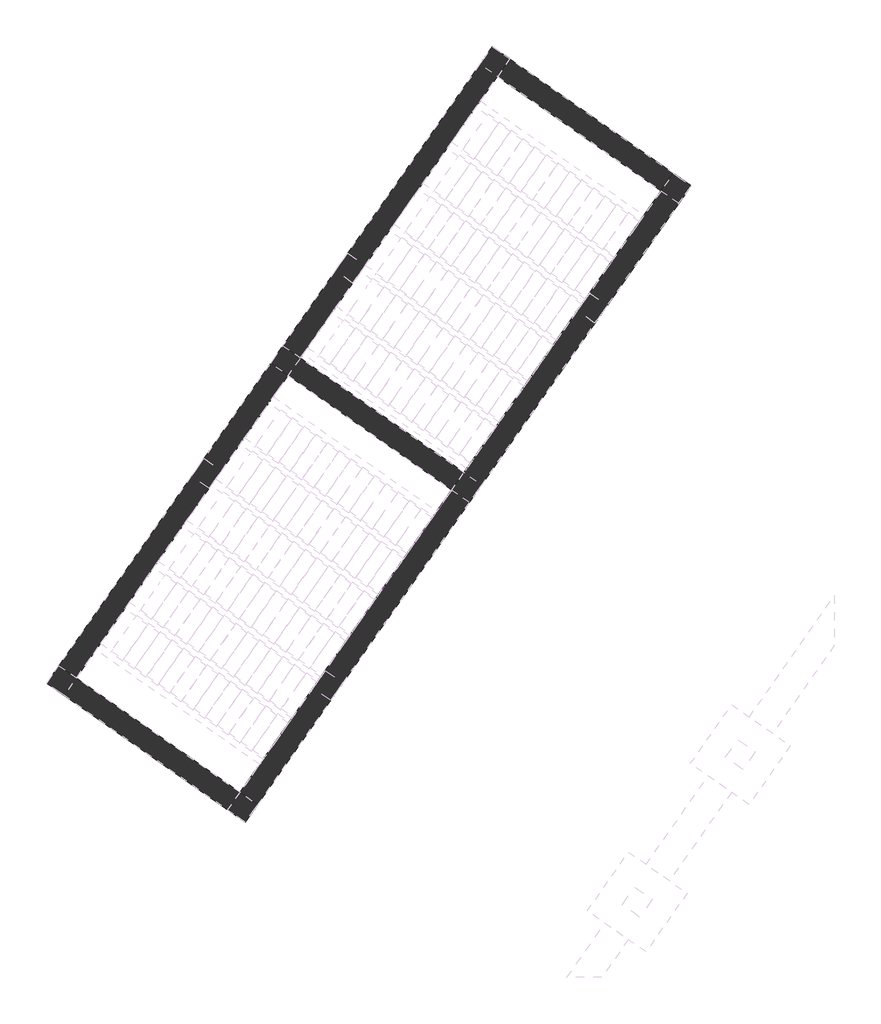
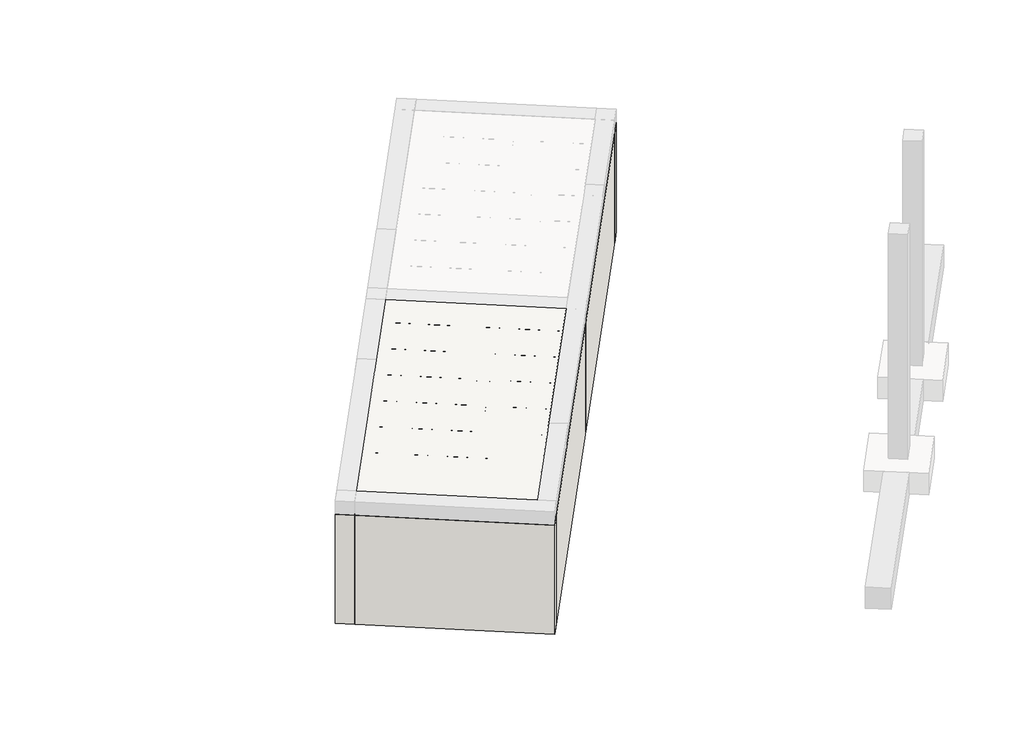
# One storey, part 1 of 6: 5 walls, 1 slab.
"""IFC4 building model written with IfcOpenShell, lengths in millimetres."""

import ifcopenshell
import ifcopenshell.guid

model = None  # the IFC model being written
_history = None  # IfcOwnerHistory: only IFC2X3 demands one
_inside = {}  # id of a spatial element -> (the spatial element, [elements in it])
_under = {}  # id of a project, library or spatial element -> (it, [spatial elements below it])
_declared = {}  # id of a project -> (the project, [libraries it declares])
_typed = {}  # id of a type object -> (the type object, [elements of that type])
_made_of = {}  # id of a material, layer set ... -> (it, [elements and type objects made of it])


def new_model(schema):
    """Start an empty IFC model of exactly this schema.

    Asked for "IFC4X3", IfcOpenShell would pick the latest addendum, in which some entities
    have other attributes; the version numbers below select the first issue.
    IFC2X3 requires an IfcOwnerHistory on every rooted entity: one is made here for all.
    """
    global model, _history
    if schema == "IFC4X3":
        model = ifcopenshell.file(schema_version=(4, 3, 0, 0))
    else:
        model = ifcopenshell.file(schema=schema)
    _inside.clear()
    _under.clear()
    _declared.clear()
    _typed.clear()
    _made_of.clear()
    _history = None
    if model.schema == "IFC2X3":
        org = make("IfcOrganization", Name="unknown")
        user = make(
            "IfcPersonAndOrganization",
            ThePerson=make("IfcPerson", FamilyName="unknown"),
            TheOrganization=org,
        )
        app = make(
            "IfcApplication",
            ApplicationDeveloper=org,
            Version="unknown",
            ApplicationFullName="unknown",
            ApplicationIdentifier="unknown",
        )
        _history = make(
            "IfcOwnerHistory",
            OwningUser=user,
            OwningApplication=app,
            ChangeAction="ADDED",
            CreationDate=0,
        )
    return model


def make(cls, **values):
    """One entity of the class cls with the attributes given. An attribute that is None is left unset."""
    return model.create_entity(
        cls, **{name: value for name, value in values.items() if value is not None}
    )


def rooted(cls, **values):
    """An entity with a GlobalId (a new one), such as an element, a storey or a relation."""
    return make(cls, GlobalId=ifcopenshell.guid.new(), OwnerHistory=_history, **values)


def si_unit(unit_type, name, prefix=None):
    """IfcSIUnit, for example si_unit("LENGTHUNIT", "METRE", prefix="MILLI")."""
    return make("IfcSIUnit", UnitType=unit_type, Prefix=prefix, Name=name)


def assignment(units):
    """IfcUnitAssignment: the units of a project."""
    return None if units is None else make("IfcUnitAssignment", Units=units)


def point(xyz):
    """IfcCartesianPoint."""
    return None if xyz is None else make("IfcCartesianPoint", Coordinates=xyz)


def direction(xyz):
    """IfcDirection."""
    return None if xyz is None else make("IfcDirection", DirectionRatios=xyz)


def frame(location, z_axis=None, x_axis=None):
    """IfcAxis2Placement3D, a coordinate frame: its origin and axes. An axis left out is left unset."""
    return make(
        "IfcAxis2Placement3D",
        Location=point(location),
        Axis=direction(z_axis),
        RefDirection=direction(x_axis),
    )


def origin():
    """The frame at (0, 0, 0) with its axes left unset."""
    return frame((0.0, 0.0, 0.0))


def place(relative_to, where):
    """IfcLocalPlacement: puts the frame where relative to a parent placement (None: the world)."""
    return make(
        "IfcLocalPlacement", PlacementRelTo=relative_to, RelativePlacement=where
    )


def context(
    kind, dimensions, precision=None, world=None, true_north=None, identifier=None
):
    """IfcGeometricRepresentationContext, for example the 3D "Model" context."""
    return make(
        "IfcGeometricRepresentationContext",
        ContextIdentifier=identifier,
        ContextType=kind,
        CoordinateSpaceDimension=dimensions,
        Precision=precision,
        WorldCoordinateSystem=world,
        TrueNorth=true_north,
    )


def project(units=None, contexts=None):
    """IfcProject with its units and contexts."""
    return rooted(
        "IfcProject",
        Name="project",
        RepresentationContexts=contexts,
        UnitsInContext=assignment(units),
    )


def spatial(cls, under=None, at=None, **own):
    """A site, building, storey or space (cls), placed at a placement, below another one or the project."""
    s = rooted(cls, ObjectPlacement=at, **own)
    if under is not None:
        _under.setdefault(under.id(), (under, []))[1].append(s)
    return s


def polyline(points):
    """IfcPolyline through the points."""
    return make("IfcPolyline", Points=[point(p) for p in points])


def outline(outer, holes=None, kind="AREA"):
    """IfcArbitraryClosedProfileDef: a profile drawn as a closed curve; with holes, ...WithVoids."""
    if holes is None:
        return make("IfcArbitraryClosedProfileDef", ProfileType=kind, OuterCurve=outer)
    return make(
        "IfcArbitraryProfileDefWithVoids",
        ProfileType=kind,
        OuterCurve=outer,
        InnerCurves=holes,
    )


def extrude(swept, where, along, depth):
    """IfcExtrudedAreaSolid: the profile swept, set in the frame where, extruded along a direction by depth."""
    return make(
        "IfcExtrudedAreaSolid",
        SweptArea=swept,
        Position=where,
        ExtrudedDirection=direction(along),
        Depth=depth,
    )


def shape(context_of_items, identifier, shape_type, items):
    """IfcShapeRepresentation: the items that make up one representation, for example the "Body"."""
    return make(
        "IfcShapeRepresentation",
        ContextOfItems=context_of_items,
        RepresentationIdentifier=identifier,
        RepresentationType=shape_type,
        Items=items,
    )


def made_of(thing, what):
    """Note that an element or type object is made of a material, layer set ...; save() writes the relation."""
    if what is not None:
        _made_of.setdefault(what.id(), (what, []))[1].append(thing)
    return thing


def element(
    cls,
    number,
    at=None,
    inside=None,
    cuts=None,
    type_object=None,
    material=None,
    context=None,
    identifier="Body",
    shape_type=None,
    held_by="IfcProductDefinitionShape",
    body=None,
    shapes=None,
    **own,
):
    """One element of the class cls, such as IfcWall. Its Tag is "e" and its number.

    at: its placement. inside: the storey or other place that contains it. cuts: it is an
    opening in that element (IfcRelVoidsElement). A single representation is given by context,
    identifier, shape_type and body (its items); several are given by shapes. held_by: the class
    of the entity that holds the representations. save() writes the other relations.
    """
    e = rooted(cls, Tag="e%d" % number, ObjectPlacement=at, **own)
    if body is not None:
        shapes = [shape(context, identifier, shape_type, body)]
    if shapes is not None:
        e.Representation = make(held_by, Representations=shapes)
    if inside is not None:
        _inside.setdefault(inside.id(), (inside, []))[1].append(e)
    if cuts is not None:
        rooted(
            "IfcRelVoidsElement", RelatingBuildingElement=cuts, RelatedOpeningElement=e
        )
    if type_object is not None:
        _typed.setdefault(type_object.id(), (type_object, []))[1].append(e)
    return made_of(e, material)


def aggregate(whole, parts):
    """IfcRelAggregates: a whole, such as a stair, and the parts it consists of."""
    return rooted("IfcRelAggregates", RelatingObject=whole, RelatedObjects=parts)


def save(model, path):
    """Write the relations noted so far, then the file.

    IfcRelAggregates (storeys below a building ...), IfcRelContainedInSpatialStructure (elements
    in a storey), IfcRelDefinesByType, IfcRelAssociatesMaterial and IfcRelDeclares: one each for
    every whole, place, type object, material and project.
    """
    for whole, parts in _under.values():
        aggregate(whole, parts)
    for where, things in _inside.values():
        rooted(
            "IfcRelContainedInSpatialStructure",
            RelatedElements=things,
            RelatingStructure=where,
        )
    for kind, things in _typed.values():
        rooted("IfcRelDefinesByType", RelatedObjects=things, RelatingType=kind)
    for what, things in _made_of.values():
        rooted("IfcRelAssociatesMaterial", RelatedObjects=things, RelatingMaterial=what)
    for by, libraries in _declared.values():
        rooted("IfcRelDeclares", RelatingContext=by, RelatedDefinitions=libraries)
    model.write(path)


model = new_model("IFC4")

# Units and contexts
model_context = context("Model", 3, world=origin())
ifc_project = project(units=[si_unit("LENGTHUNIT", "METRE", prefix="MILLI")], contexts=[model_context])

# Site, building, storey
site = spatial("IfcSite", under=ifc_project)
building = spatial("IfcBuilding", under=site)
storey = spatial("IfcBuildingStorey", under=building, Elevation=93640.0)

# Slab
placement = place(None, origin())
element("IfcSlab", 1, ObjectType="DirectShapeType 1092", at=placement, inside=storey, context=model_context, shape_type="SweptSolid", body=[
    extrude(outline(polyline([(488.0726392, 5013.8551515), (660.1455701, 5259.6007648), (1588.895185, 6585.992676), (3869.7819069, 4988.8985994), (2107.736694, 2472.437241), (1935.6637631, 2226.6916277), (918.0402288, 773.3746057), (-1362.8464931, 2370.4686823), (488.0726392, 5013.8551515)])), frame((0.0, 0.0, 95690.0), z_axis=(0.0, 0.0, 1.0), x_axis=(1.0, 0.0, 0.0)), (0.0, 0.0, 1.0), 250.0),
])

# Walls
element("IfcWall", 2, ObjectType="DirectShapeType 620", at=placement, inside=storey, context=model_context, shape_type="SweptSolid", body=[
    extrude(outline(polyline([(7036.7521271, 8988.7667678), (4264.3741787, 10930.0067063), (4436.4471096, 11175.7523195), (7208.8250581, 9234.5123811), (7036.7521271, 8988.7667678)])), frame((0.0, 0.0, 93640.0), z_axis=(0.0, 0.0, 1.0), x_axis=(1.0, 0.0, 0.0)), (0.0, 0.0, 1.0), 2050.0),
])
element("IfcWall", 3, ObjectType="DirectShapeType 620", at=placement, inside=storey, context=model_context, shape_type="SweptSolid", body=[
    extrude(outline(polyline([(4682.1927229, 11003.6793886), (-1534.919424, 2124.723069), (-1780.6650373, 2296.7959999), (4436.4471096, 11175.7523195), (4682.1927229, 11003.6793886)])), frame((0.0, 0.0, 93640.0), z_axis=(0.0, 0.0, 1.0), x_axis=(1.0, 0.0, 0.0)), (0.0, 0.0, 1.0), 2050.0),
])
element("IfcWall", 4, ObjectType="DirectShapeType 620", at=placement, inside=storey, context=model_context, shape_type="SweptSolid", body=[
    extrude(outline(polyline([(991.7129112, 355.5560615), (-1780.6650373, 2296.7959999), (-1608.5921064, 2542.5416132), (1163.7858421, 601.3016748), (991.7129112, 355.5560615)])), frame((0.0, 0.0, 93640.0), z_axis=(0.0, 0.0, 1.0), x_axis=(1.0, 0.0, 0.0)), (0.0, 0.0, 1.0), 2050.0),
])
element("IfcWall", 5, ObjectType="DirectShapeType 620", at=placement, inside=storey, context=model_context, shape_type="SweptSolid", body=[
    extrude(outline(polyline([(7208.8250581, 9234.5123811), (991.7129112, 355.5560615), (745.9672979, 527.6289924), (6963.0794448, 9406.585312), (7208.8250581, 9234.5123811)])), frame((0.0, 0.0, 93640.0), z_axis=(0.0, 0.0, 1.0), x_axis=(1.0, 0.0, 0.0)), (0.0, 0.0, 1.0), 2050.0),
])
element("IfcWall", 6, ObjectType="DirectShapeType 620", at=placement, inside=storey, context=model_context, shape_type="SweptSolid", body=[
    extrude(outline(polyline([(4115.5275202, 4816.8256685), (1343.1495718, 6758.0656069), (1515.2225027, 7003.8112202), (4287.6004511, 5062.5712818), (4115.5275202, 4816.8256685)])), frame((0.0, 0.0, 93640.0), z_axis=(0.0, 0.0, 1.0), x_axis=(1.0, 0.0, 0.0)), (0.0, 0.0, 1.0), 2050.0),
])

save(model, "model.ifc")
